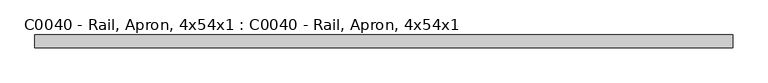
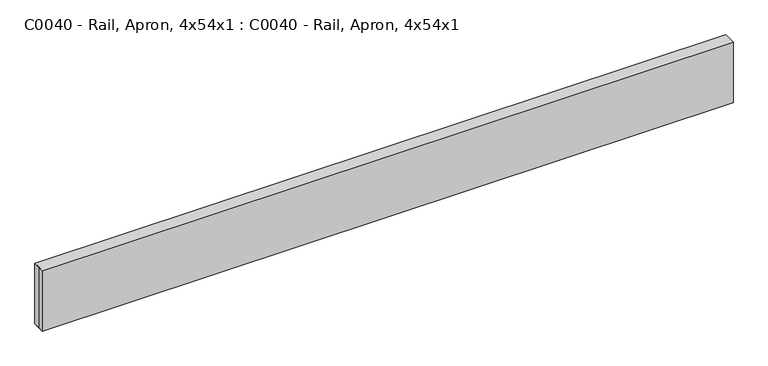
"""IFC4 building model written with IfcOpenShell, lengths in millimetres: proxy geometry, C0040 - Rail, Apron, 4x54x1 : C0040 - Rail, Apron, 4x54x1."""

import ifcopenshell
import ifcopenshell.guid

model = None  # the IFC model being written
_history = None  # IfcOwnerHistory: only IFC2X3 demands one
_inside = {}  # id of a spatial element -> (the spatial element, [elements in it])
_under = {}  # id of a project, library or spatial element -> (it, [spatial elements below it])
_declared = {}  # id of a project -> (the project, [libraries it declares])
_typed = {}  # id of a type object -> (the type object, [elements of that type])
_made_of = {}  # id of a material, layer set ... -> (it, [elements and type objects made of it])


def new_model(schema):
    """Start an empty IFC model of exactly this schema.

    Asked for "IFC4X3", IfcOpenShell would pick the latest addendum, in which some entities
    have other attributes; the version numbers below select the first issue.
    IFC2X3 requires an IfcOwnerHistory on every rooted entity: one is made here for all.
    """
    global model, _history
    if schema == "IFC4X3":
        model = ifcopenshell.file(schema_version=(4, 3, 0, 0))
    else:
        model = ifcopenshell.file(schema=schema)
    _inside.clear()
    _under.clear()
    _declared.clear()
    _typed.clear()
    _made_of.clear()
    _history = None
    if model.schema == "IFC2X3":
        org = make("IfcOrganization", Name="unknown")
        user = make(
            "IfcPersonAndOrganization",
            ThePerson=make("IfcPerson", FamilyName="unknown"),
            TheOrganization=org,
        )
        app = make(
            "IfcApplication",
            ApplicationDeveloper=org,
            Version="unknown",
            ApplicationFullName="unknown",
            ApplicationIdentifier="unknown",
        )
        _history = make(
            "IfcOwnerHistory",
            OwningUser=user,
            OwningApplication=app,
            ChangeAction="ADDED",
            CreationDate=0,
        )
    return model


def make(cls, **values):
    """One entity of the class cls with the attributes given. An attribute that is None is left unset."""
    return model.create_entity(
        cls, **{name: value for name, value in values.items() if value is not None}
    )


def rooted(cls, **values):
    """An entity with a GlobalId (a new one), such as an element, a storey or a relation."""
    return make(cls, GlobalId=ifcopenshell.guid.new(), OwnerHistory=_history, **values)


def si_unit(unit_type, name, prefix=None):
    """IfcSIUnit, for example si_unit("LENGTHUNIT", "METRE", prefix="MILLI")."""
    return make("IfcSIUnit", UnitType=unit_type, Prefix=prefix, Name=name)


def assignment(units):
    """IfcUnitAssignment: the units of a project."""
    return None if units is None else make("IfcUnitAssignment", Units=units)


def point(xyz):
    """IfcCartesianPoint."""
    return None if xyz is None else make("IfcCartesianPoint", Coordinates=xyz)


def direction(xyz):
    """IfcDirection."""
    return None if xyz is None else make("IfcDirection", DirectionRatios=xyz)


def frame(location, z_axis=None, x_axis=None):
    """IfcAxis2Placement3D, a coordinate frame: its origin and axes. An axis left out is left unset."""
    return make(
        "IfcAxis2Placement3D",
        Location=point(location),
        Axis=direction(z_axis),
        RefDirection=direction(x_axis),
    )


def origin():
    """The frame at (0, 0, 0) with its axes left unset."""
    return frame((0.0, 0.0, 0.0))


def place(relative_to, where):
    """IfcLocalPlacement: puts the frame where relative to a parent placement (None: the world)."""
    return make(
        "IfcLocalPlacement", PlacementRelTo=relative_to, RelativePlacement=where
    )


def context(
    kind, dimensions, precision=None, world=None, true_north=None, identifier=None
):
    """IfcGeometricRepresentationContext, for example the 3D "Model" context."""
    return make(
        "IfcGeometricRepresentationContext",
        ContextIdentifier=identifier,
        ContextType=kind,
        CoordinateSpaceDimension=dimensions,
        Precision=precision,
        WorldCoordinateSystem=world,
        TrueNorth=true_north,
    )


def project(units=None, contexts=None):
    """IfcProject with its units and contexts."""
    return rooted(
        "IfcProject",
        Name="project",
        RepresentationContexts=contexts,
        UnitsInContext=assignment(units),
    )


def spatial(cls, under=None, at=None, **own):
    """A site, building, storey or space (cls), placed at a placement, below another one or the project."""
    s = rooted(cls, ObjectPlacement=at, **own)
    if under is not None:
        _under.setdefault(under.id(), (under, []))[1].append(s)
    return s


def polyline(points):
    """IfcPolyline through the points."""
    return make("IfcPolyline", Points=[point(p) for p in points])


def outline(outer, holes=None, kind="AREA"):
    """IfcArbitraryClosedProfileDef: a profile drawn as a closed curve; with holes, ...WithVoids."""
    if holes is None:
        return make("IfcArbitraryClosedProfileDef", ProfileType=kind, OuterCurve=outer)
    return make(
        "IfcArbitraryProfileDefWithVoids",
        ProfileType=kind,
        OuterCurve=outer,
        InnerCurves=holes,
    )


def extrude(swept, where, along, depth):
    """IfcExtrudedAreaSolid: the profile swept, set in the frame where, extruded along a direction by depth."""
    return make(
        "IfcExtrudedAreaSolid",
        SweptArea=swept,
        Position=where,
        ExtrudedDirection=direction(along),
        Depth=depth,
    )


def shape(context_of_items, identifier, shape_type, items):
    """IfcShapeRepresentation: the items that make up one representation, for example the "Body"."""
    return make(
        "IfcShapeRepresentation",
        ContextOfItems=context_of_items,
        RepresentationIdentifier=identifier,
        RepresentationType=shape_type,
        Items=items,
    )


def source(mapping_origin, context_of_items, identifier, shape_type, items):
    """IfcRepresentationMap: a shape defined once, which mapped items show again and again."""
    return make(
        "IfcRepresentationMap",
        MappingOrigin=mapping_origin,
        MappedRepresentation=shape(context_of_items, identifier, shape_type, items),
    )


def transform(
    local_origin,
    x_axis=None,
    y_axis=None,
    z_axis=None,
    scale=None,
    scale2=None,
    scale3=None,
    uniform=True,
):
    """IfcCartesianTransformationOperator3D, or its non-uniform kind. x_axis, y_axis, z_axis: its Axis1, 2, 3."""
    if uniform:
        return make(
            "IfcCartesianTransformationOperator3D",
            Axis1=direction(x_axis),
            Axis2=direction(y_axis),
            LocalOrigin=point(local_origin),
            Scale=scale,
            Axis3=direction(z_axis),
        )
    return make(
        "IfcCartesianTransformationOperator3DnonUniform",
        Axis1=direction(x_axis),
        Axis2=direction(y_axis),
        LocalOrigin=point(local_origin),
        Scale=scale,
        Axis3=direction(z_axis),
        Scale2=scale2,
        Scale3=scale3,
    )


def mapped(mapping_source, mapping_target):
    """IfcMappedItem: shows the shape of a source again, moved by a transform."""
    return make(
        "IfcMappedItem", MappingSource=mapping_source, MappingTarget=mapping_target
    )


def made_of(thing, what):
    """Note that an element or type object is made of a material, layer set ...; save() writes the relation."""
    if what is not None:
        _made_of.setdefault(what.id(), (what, []))[1].append(thing)
    return thing


def element(
    cls,
    number,
    at=None,
    inside=None,
    cuts=None,
    type_object=None,
    material=None,
    context=None,
    identifier="Body",
    shape_type=None,
    held_by="IfcProductDefinitionShape",
    body=None,
    shapes=None,
    **own,
):
    """One element of the class cls, such as IfcWall. Its Tag is "e" and its number.

    at: its placement. inside: the storey or other place that contains it. cuts: it is an
    opening in that element (IfcRelVoidsElement). A single representation is given by context,
    identifier, shape_type and body (its items); several are given by shapes. held_by: the class
    of the entity that holds the representations. save() writes the other relations.
    """
    e = rooted(cls, Tag="e%d" % number, ObjectPlacement=at, **own)
    if body is not None:
        shapes = [shape(context, identifier, shape_type, body)]
    if shapes is not None:
        e.Representation = make(held_by, Representations=shapes)
    if inside is not None:
        _inside.setdefault(inside.id(), (inside, []))[1].append(e)
    if cuts is not None:
        rooted(
            "IfcRelVoidsElement", RelatingBuildingElement=cuts, RelatedOpeningElement=e
        )
    if type_object is not None:
        _typed.setdefault(type_object.id(), (type_object, []))[1].append(e)
    return made_of(e, material)


def aggregate(whole, parts):
    """IfcRelAggregates: a whole, such as a stair, and the parts it consists of."""
    return rooted("IfcRelAggregates", RelatingObject=whole, RelatedObjects=parts)


def save(model, path):
    """Write the relations noted so far, then the file.

    IfcRelAggregates (storeys below a building ...), IfcRelContainedInSpatialStructure (elements
    in a storey), IfcRelDefinesByType, IfcRelAssociatesMaterial and IfcRelDeclares: one each for
    every whole, place, type object, material and project.
    """
    for whole, parts in _under.values():
        aggregate(whole, parts)
    for where, things in _inside.values():
        rooted(
            "IfcRelContainedInSpatialStructure",
            RelatedElements=things,
            RelatingStructure=where,
        )
    for kind, things in _typed.values():
        rooted("IfcRelDefinesByType", RelatedObjects=things, RelatingType=kind)
    for what, things in _made_of.values():
        rooted("IfcRelAssociatesMaterial", RelatedObjects=things, RelatingMaterial=what)
    for by, libraries in _declared.values():
        rooted("IfcRelDeclares", RelatingContext=by, RelatedDefinitions=libraries)
    model.write(path)


def c0040_rail_apron_4x54x1_c0040_rail_apron_4x54x1_1871e43f(model_context):
    return source(origin(), model_context, "Body", "SweptSolid", [
        extrude(outline(polyline([(-685.8, 12.7), (685.8, 12.7), (685.8, -12.7), (-685.8, -12.7), (-685.8, 0.0), (-685.8, 12.7)])), frame((0.0, 0.0, 711.2), z_axis=(0.0, 0.0, 1.0), x_axis=(1.0, 0.0, 0.0)), (0.0, 0.0, 1.0), 127.0),
        extrude(outline(polyline([(685.8, 12.7), (685.8, -12.7), (-685.8, -12.7), (-685.8, 12.7), (685.8, 12.7)])), frame((0.0, 0.0, 711.2), z_axis=(0.0, 0.0, 1.0), x_axis=(1.0, 0.0, 0.0)), (0.0, 0.0, 1.0), 127.0),
    ])


if __name__ == "__main__":
    model = new_model("IFC4")
    model_context = context("Model", 3, world=origin())
    ifc_project = project(units=[si_unit("LENGTHUNIT", "METRE", prefix="MILLI")], contexts=[model_context])
    site = spatial("IfcSite", under=ifc_project)
    building = spatial("IfcBuilding", under=site)
    placement = place(None, origin())
    c0040_rail_apron_4x54x1_c0040_rail_apron_4x54x1_shape = c0040_rail_apron_4x54x1_c0040_rail_apron_4x54x1_1871e43f(model_context)
    element("IfcBuildingElementProxy", 1, Name="C0040 - Rail, Apron, 4x54x1 : C0040 - Rail, Apron, 4x54x1", ObjectType="C0040 - Rail, Apron, 4x54x1 : C0040 - Rail, Apron, 4x54x1", at=placement, inside=building, context=model_context, shape_type="MappedRepresentation", body=[
        mapped(c0040_rail_apron_4x54x1_c0040_rail_apron_4x54x1_shape, transform((0.0, 0.0, 0.0), x_axis=(1.0, 0.0, 0.0), y_axis=(0.0, 1.0, 0.0), z_axis=(0.0, 0.0, 1.0))),
    ])
    save(model, "model.ifc")
